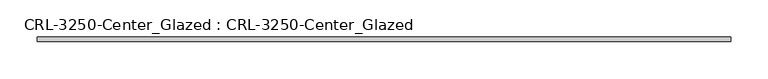
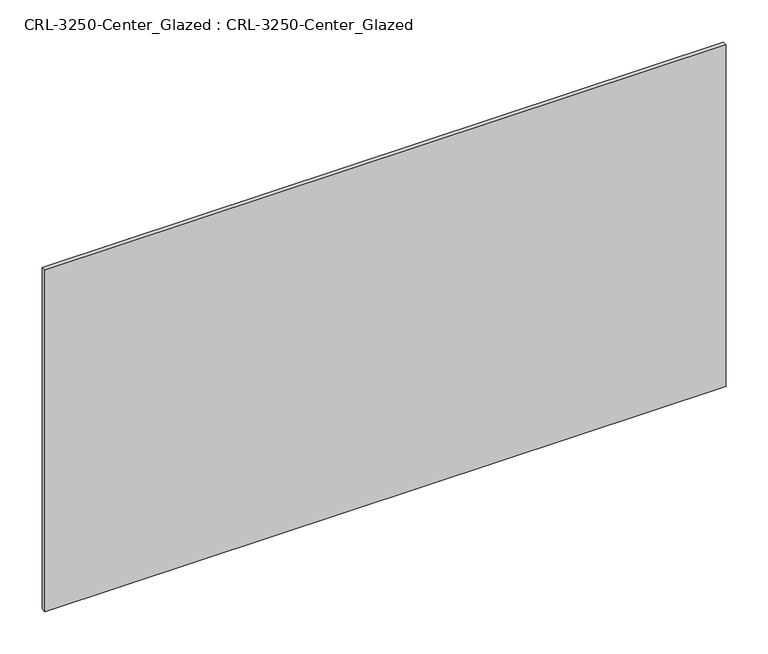
"""IFC4 building model written with IfcOpenShell, lengths in millimetres: plate geometry, CRL-3250-Center_Glazed : CRL-3250-Center_Glazed."""

from ifc_helpers import new_model, si_unit, origin, origin_with_axes, place, context, project, spatial, polyline, outline, extrude, source, transform, mapped, element, save


def crl_3250_center_glazed_crl_3250_center_glazed_134450cc(model_context):
    return source(origin(), model_context, "Body", "SweptSolid", [
        extrude(outline(polyline([(466.7205181, -3.1749999), (-466.7205181, -3.1749999), (-466.7205181, 3.1749999), (466.7205181, 3.1749999), (466.7205181, -3.1749999)])), origin_with_axes(), (0.0, 0.0, 1.0), 495.3000045),
    ])


if __name__ == "__main__":
    model = new_model("IFC4")
    model_context = context("Model", 3, world=origin())
    ifc_project = project(units=[si_unit("LENGTHUNIT", "METRE", prefix="MILLI")], contexts=[model_context])
    site = spatial("IfcSite", under=ifc_project)
    building = spatial("IfcBuilding", under=site)
    placement = place(None, origin())
    crl_3250_center_glazed_crl_3250_center_glazed_shape = crl_3250_center_glazed_crl_3250_center_glazed_134450cc(model_context)
    element("IfcPlate", 1, ObjectType="CRL-3250-Center_Glazed : CRL-3250-Center_Glazed", at=placement, inside=building, context=model_context, shape_type="MappedRepresentation", body=[
        mapped(crl_3250_center_glazed_crl_3250_center_glazed_shape, transform((0.0, 0.0, 0.0), x_axis=(1.0, 0.0, 0.0), y_axis=(0.0, 1.0, 0.0), z_axis=(0.0, 0.0, 1.0))),
    ])
    save(model, "model.ifc")
